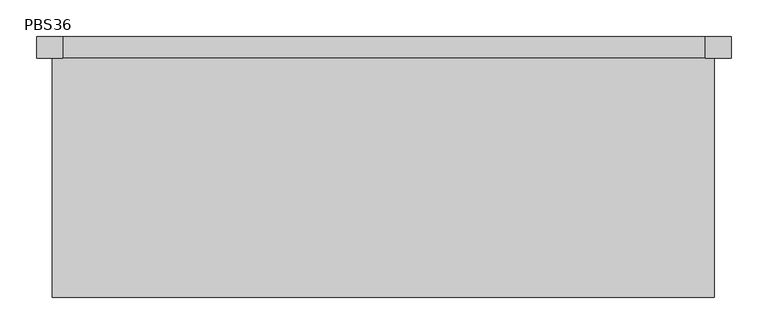
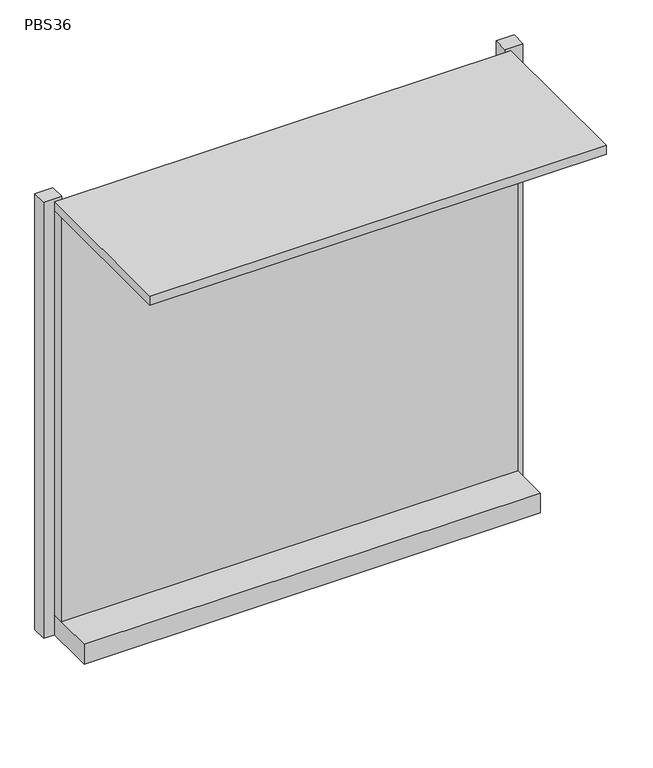
"""IFC4 building model written with IfcOpenShell, lengths in millimetres: furniture geometry, PBS36."""

from ifc_helpers import new_model, si_unit, frame, origin, place, context, project, spatial, polyline, outline, extrude, source, transform, mapped, element, save


def pbs36_4ab13ce4(model_context):
    return source(origin(), model_context, "Body", "SweptSolid", [
        extrude(outline(polyline([(-144.448457, -204.6266495), (-1049.2397192, -204.6266495), (-1049.2397192, 122.4711085), (-144.448457, 122.4711085), (-144.448457, -204.6266495)])), frame((0.0, 0.0, 2260.6), z_axis=(0.0, 0.0, 1.0), x_axis=(1.0, 0.0, 0.0)), (0.0, 0.0, 1.0), 19.05),
        extrude(outline(polyline([(-144.448457, 99.7029904), (-1049.2397192, 99.7029904), (-1049.2397192, 122.4711085), (-144.448457, 122.4711085), (-144.448457, 99.7029904)])), frame((0.0, 0.0, 1412.6686693), z_axis=(0.0, 0.0, 1.0), x_axis=(1.0, 0.0, 0.0)), (0.0, 0.0, 1.0), 847.9313307),
        extrude(outline(polyline([(-144.448457, 21.3353142), (-1049.2397192, 21.3353142), (-1049.2397192, 152.4), (-144.448457, 152.4), (-144.448457, 21.3353142)])), frame((0.0, 0.0, 1371.6), z_axis=(0.0, 0.0, 1.0), x_axis=(1.0, 0.0, 0.0)), (0.0, 0.0, 1.0), 41.0686693),
        extrude(outline(polyline([(-156.5843678, 122.4711085), (-156.5843678, 152.4), (-121.0346321, 152.4), (-121.0346321, 122.4711085), (-156.5843678, 122.4711085)])), frame((0.0, 0.0, 1371.6), z_axis=(0.0, 0.0, 1.0), x_axis=(1.0, 0.0, 0.0)), (0.0, 0.0, 1.0), 914.4),
        extrude(outline(polyline([(-1035.4346321, 122.4711085), (-1070.9843678, 122.4711085), (-1070.9843678, 152.4), (-1035.4346321, 152.4), (-1035.4346321, 122.4711085)])), frame((0.0, 0.0, 1371.6), z_axis=(0.0, 0.0, 1.0), x_axis=(1.0, 0.0, 0.0)), (0.0, 0.0, 1.0), 914.4),
    ])


if __name__ == "__main__":
    model = new_model("IFC4")
    model_context = context("Model", 3, world=origin())
    ifc_project = project(units=[si_unit("LENGTHUNIT", "METRE", prefix="MILLI")], contexts=[model_context])
    site = spatial("IfcSite", under=ifc_project)
    building = spatial("IfcBuilding", under=site)
    placement = place(None, origin())
    pbs36_shape = pbs36_4ab13ce4(model_context)
    element("IfcFurniture", 1, ObjectType="PBS36", at=placement, inside=building, context=model_context, shape_type="MappedRepresentation", body=[
        mapped(pbs36_shape, transform((0.0, 0.0, 0.0), x_axis=(1.0, 0.0, 0.0), y_axis=(0.0, 1.0, 0.0), z_axis=(0.0, 0.0, 1.0))),
    ])
    save(model, "model.ifc")
